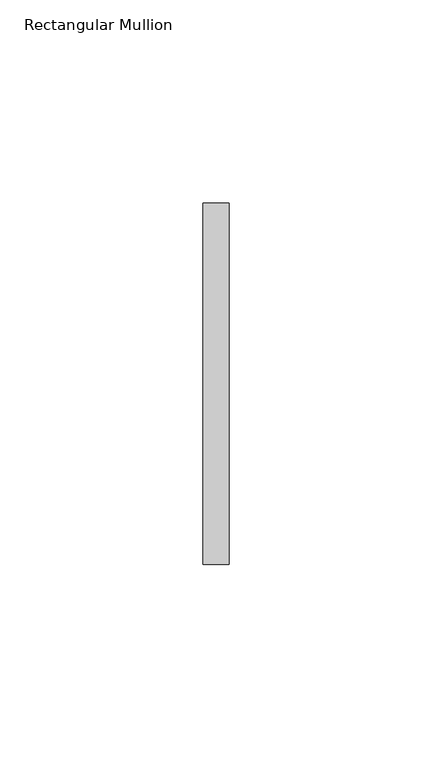
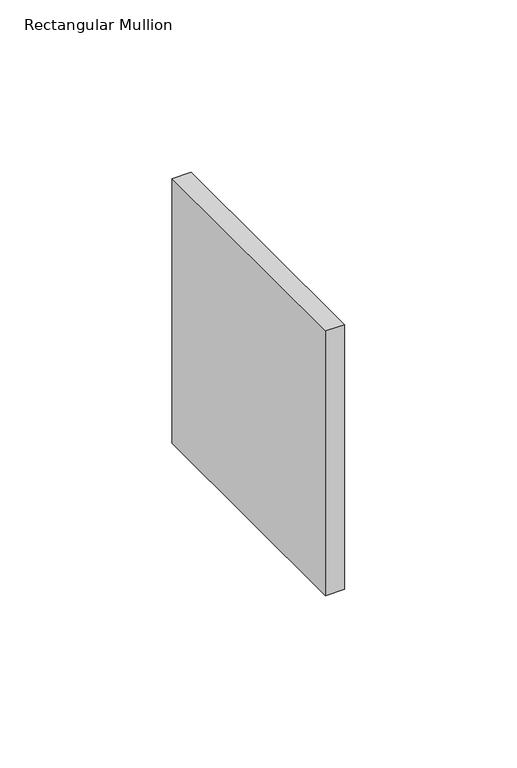
"""IFC4 building model written with IfcOpenShell, lengths in millimetres: member geometry, Rectangular Mullion."""

import ifcopenshell
import ifcopenshell.guid

model = None  # the IFC model being written
_history = None  # IfcOwnerHistory: only IFC2X3 demands one
_inside = {}  # id of a spatial element -> (the spatial element, [elements in it])
_under = {}  # id of a project, library or spatial element -> (it, [spatial elements below it])
_declared = {}  # id of a project -> (the project, [libraries it declares])
_typed = {}  # id of a type object -> (the type object, [elements of that type])
_made_of = {}  # id of a material, layer set ... -> (it, [elements and type objects made of it])


def new_model(schema):
    """Start an empty IFC model of exactly this schema.

    Asked for "IFC4X3", IfcOpenShell would pick the latest addendum, in which some entities
    have other attributes; the version numbers below select the first issue.
    IFC2X3 requires an IfcOwnerHistory on every rooted entity: one is made here for all.
    """
    global model, _history
    if schema == "IFC4X3":
        model = ifcopenshell.file(schema_version=(4, 3, 0, 0))
    else:
        model = ifcopenshell.file(schema=schema)
    _inside.clear()
    _under.clear()
    _declared.clear()
    _typed.clear()
    _made_of.clear()
    _history = None
    if model.schema == "IFC2X3":
        org = make("IfcOrganization", Name="unknown")
        user = make(
            "IfcPersonAndOrganization",
            ThePerson=make("IfcPerson", FamilyName="unknown"),
            TheOrganization=org,
        )
        app = make(
            "IfcApplication",
            ApplicationDeveloper=org,
            Version="unknown",
            ApplicationFullName="unknown",
            ApplicationIdentifier="unknown",
        )
        _history = make(
            "IfcOwnerHistory",
            OwningUser=user,
            OwningApplication=app,
            ChangeAction="ADDED",
            CreationDate=0,
        )
    return model


def make(cls, **values):
    """One entity of the class cls with the attributes given. An attribute that is None is left unset."""
    return model.create_entity(
        cls, **{name: value for name, value in values.items() if value is not None}
    )


def rooted(cls, **values):
    """An entity with a GlobalId (a new one), such as an element, a storey or a relation."""
    return make(cls, GlobalId=ifcopenshell.guid.new(), OwnerHistory=_history, **values)


def si_unit(unit_type, name, prefix=None):
    """IfcSIUnit, for example si_unit("LENGTHUNIT", "METRE", prefix="MILLI")."""
    return make("IfcSIUnit", UnitType=unit_type, Prefix=prefix, Name=name)


def assignment(units):
    """IfcUnitAssignment: the units of a project."""
    return None if units is None else make("IfcUnitAssignment", Units=units)


def point(xyz):
    """IfcCartesianPoint."""
    return None if xyz is None else make("IfcCartesianPoint", Coordinates=xyz)


def direction(xyz):
    """IfcDirection."""
    return None if xyz is None else make("IfcDirection", DirectionRatios=xyz)


def frame(location, z_axis=None, x_axis=None):
    """IfcAxis2Placement3D, a coordinate frame: its origin and axes. An axis left out is left unset."""
    return make(
        "IfcAxis2Placement3D",
        Location=point(location),
        Axis=direction(z_axis),
        RefDirection=direction(x_axis),
    )


def origin():
    """The frame at (0, 0, 0) with its axes left unset."""
    return frame((0.0, 0.0, 0.0))


def place(relative_to, where):
    """IfcLocalPlacement: puts the frame where relative to a parent placement (None: the world)."""
    return make(
        "IfcLocalPlacement", PlacementRelTo=relative_to, RelativePlacement=where
    )


def context(
    kind, dimensions, precision=None, world=None, true_north=None, identifier=None
):
    """IfcGeometricRepresentationContext, for example the 3D "Model" context."""
    return make(
        "IfcGeometricRepresentationContext",
        ContextIdentifier=identifier,
        ContextType=kind,
        CoordinateSpaceDimension=dimensions,
        Precision=precision,
        WorldCoordinateSystem=world,
        TrueNorth=true_north,
    )


def project(units=None, contexts=None):
    """IfcProject with its units and contexts."""
    return rooted(
        "IfcProject",
        Name="project",
        RepresentationContexts=contexts,
        UnitsInContext=assignment(units),
    )


def spatial(cls, under=None, at=None, **own):
    """A site, building, storey or space (cls), placed at a placement, below another one or the project."""
    s = rooted(cls, ObjectPlacement=at, **own)
    if under is not None:
        _under.setdefault(under.id(), (under, []))[1].append(s)
    return s


def polyline(points):
    """IfcPolyline through the points."""
    return make("IfcPolyline", Points=[point(p) for p in points])


def outline(outer, holes=None, kind="AREA"):
    """IfcArbitraryClosedProfileDef: a profile drawn as a closed curve; with holes, ...WithVoids."""
    if holes is None:
        return make("IfcArbitraryClosedProfileDef", ProfileType=kind, OuterCurve=outer)
    return make(
        "IfcArbitraryProfileDefWithVoids",
        ProfileType=kind,
        OuterCurve=outer,
        InnerCurves=holes,
    )


def extrude(swept, where, along, depth):
    """IfcExtrudedAreaSolid: the profile swept, set in the frame where, extruded along a direction by depth."""
    return make(
        "IfcExtrudedAreaSolid",
        SweptArea=swept,
        Position=where,
        ExtrudedDirection=direction(along),
        Depth=depth,
    )


def shape(context_of_items, identifier, shape_type, items):
    """IfcShapeRepresentation: the items that make up one representation, for example the "Body"."""
    return make(
        "IfcShapeRepresentation",
        ContextOfItems=context_of_items,
        RepresentationIdentifier=identifier,
        RepresentationType=shape_type,
        Items=items,
    )


def source(mapping_origin, context_of_items, identifier, shape_type, items):
    """IfcRepresentationMap: a shape defined once, which mapped items show again and again."""
    return make(
        "IfcRepresentationMap",
        MappingOrigin=mapping_origin,
        MappedRepresentation=shape(context_of_items, identifier, shape_type, items),
    )


def transform(
    local_origin,
    x_axis=None,
    y_axis=None,
    z_axis=None,
    scale=None,
    scale2=None,
    scale3=None,
    uniform=True,
):
    """IfcCartesianTransformationOperator3D, or its non-uniform kind. x_axis, y_axis, z_axis: its Axis1, 2, 3."""
    if uniform:
        return make(
            "IfcCartesianTransformationOperator3D",
            Axis1=direction(x_axis),
            Axis2=direction(y_axis),
            LocalOrigin=point(local_origin),
            Scale=scale,
            Axis3=direction(z_axis),
        )
    return make(
        "IfcCartesianTransformationOperator3DnonUniform",
        Axis1=direction(x_axis),
        Axis2=direction(y_axis),
        LocalOrigin=point(local_origin),
        Scale=scale,
        Axis3=direction(z_axis),
        Scale2=scale2,
        Scale3=scale3,
    )


def mapped(mapping_source, mapping_target):
    """IfcMappedItem: shows the shape of a source again, moved by a transform."""
    return make(
        "IfcMappedItem", MappingSource=mapping_source, MappingTarget=mapping_target
    )


def made_of(thing, what):
    """Note that an element or type object is made of a material, layer set ...; save() writes the relation."""
    if what is not None:
        _made_of.setdefault(what.id(), (what, []))[1].append(thing)
    return thing


def element(
    cls,
    number,
    at=None,
    inside=None,
    cuts=None,
    type_object=None,
    material=None,
    context=None,
    identifier="Body",
    shape_type=None,
    held_by="IfcProductDefinitionShape",
    body=None,
    shapes=None,
    **own,
):
    """One element of the class cls, such as IfcWall. Its Tag is "e" and its number.

    at: its placement. inside: the storey or other place that contains it. cuts: it is an
    opening in that element (IfcRelVoidsElement). A single representation is given by context,
    identifier, shape_type and body (its items); several are given by shapes. held_by: the class
    of the entity that holds the representations. save() writes the other relations.
    """
    e = rooted(cls, Tag="e%d" % number, ObjectPlacement=at, **own)
    if body is not None:
        shapes = [shape(context, identifier, shape_type, body)]
    if shapes is not None:
        e.Representation = make(held_by, Representations=shapes)
    if inside is not None:
        _inside.setdefault(inside.id(), (inside, []))[1].append(e)
    if cuts is not None:
        rooted(
            "IfcRelVoidsElement", RelatingBuildingElement=cuts, RelatedOpeningElement=e
        )
    if type_object is not None:
        _typed.setdefault(type_object.id(), (type_object, []))[1].append(e)
    return made_of(e, material)


def aggregate(whole, parts):
    """IfcRelAggregates: a whole, such as a stair, and the parts it consists of."""
    return rooted("IfcRelAggregates", RelatingObject=whole, RelatedObjects=parts)


def save(model, path):
    """Write the relations noted so far, then the file.

    IfcRelAggregates (storeys below a building ...), IfcRelContainedInSpatialStructure (elements
    in a storey), IfcRelDefinesByType, IfcRelAssociatesMaterial and IfcRelDeclares: one each for
    every whole, place, type object, material and project.
    """
    for whole, parts in _under.values():
        aggregate(whole, parts)
    for where, things in _inside.values():
        rooted(
            "IfcRelContainedInSpatialStructure",
            RelatedElements=things,
            RelatingStructure=where,
        )
    for kind, things in _typed.values():
        rooted("IfcRelDefinesByType", RelatedObjects=things, RelatingType=kind)
    for what, things in _made_of.values():
        rooted("IfcRelAssociatesMaterial", RelatedObjects=things, RelatingMaterial=what)
    for by, libraries in _declared.values():
        rooted("IfcRelDeclares", RelatingContext=by, RelatedDefinitions=libraries)
    model.write(path)


def rectangular_mullion_65aaddeb(model_context):
    return source(origin(), model_context, "Body", "SweptSolid", [
        extrude(outline(polyline([(0.0, 44.45), (0.0, -44.45), (-6.35, -44.45), (-6.35, 44.45), (0.0, 44.45)])), frame((0.0, 0.0, -93.6625), z_axis=(0.0, 0.0, 1.0), x_axis=(1.0, 0.0, 0.0)), (0.0, 0.0, 1.0), 93.6625),
    ])


if __name__ == "__main__":
    model = new_model("IFC4")
    model_context = context("Model", 3, world=origin())
    ifc_project = project(units=[si_unit("LENGTHUNIT", "METRE", prefix="MILLI")], contexts=[model_context])
    site = spatial("IfcSite", under=ifc_project)
    building = spatial("IfcBuilding", under=site)
    placement = place(None, origin())
    rectangular_mullion_shape = rectangular_mullion_65aaddeb(model_context)
    element("IfcMember", 1, ObjectType="Rectangular Mullion", at=placement, inside=building, context=model_context, shape_type="MappedRepresentation", body=[
        mapped(rectangular_mullion_shape, transform((0.0, 0.0, 0.0), x_axis=(1.0, 0.0, 0.0), y_axis=(0.0, 1.0, 0.0), z_axis=(0.0, 0.0, 1.0))),
    ])
    save(model, "model.ifc")
